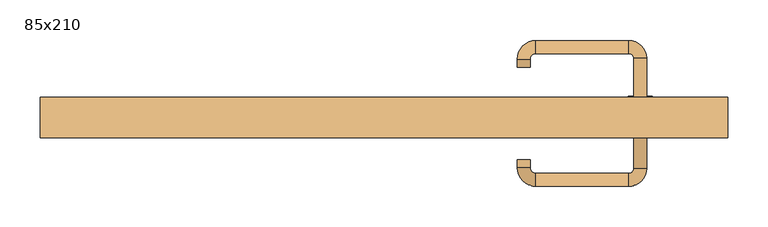
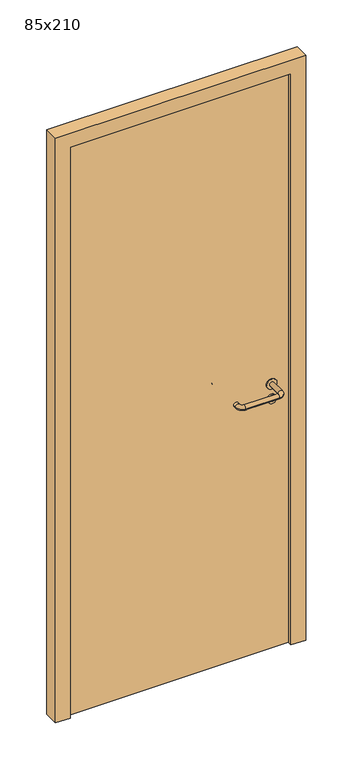
"""IFC4 building model written with IfcOpenShell, lengths in millimetres: door geometry, 85x210."""

import ifcopenshell
import ifcopenshell.guid

model = None  # the IFC model being written
_history = None  # IfcOwnerHistory: only IFC2X3 demands one
_inside = {}  # id of a spatial element -> (the spatial element, [elements in it])
_under = {}  # id of a project, library or spatial element -> (it, [spatial elements below it])
_declared = {}  # id of a project -> (the project, [libraries it declares])
_typed = {}  # id of a type object -> (the type object, [elements of that type])
_made_of = {}  # id of a material, layer set ... -> (it, [elements and type objects made of it])


def new_model(schema):
    """Start an empty IFC model of exactly this schema.

    Asked for "IFC4X3", IfcOpenShell would pick the latest addendum, in which some entities
    have other attributes; the version numbers below select the first issue.
    IFC2X3 requires an IfcOwnerHistory on every rooted entity: one is made here for all.
    """
    global model, _history
    if schema == "IFC4X3":
        model = ifcopenshell.file(schema_version=(4, 3, 0, 0))
    else:
        model = ifcopenshell.file(schema=schema)
    _inside.clear()
    _under.clear()
    _declared.clear()
    _typed.clear()
    _made_of.clear()
    _history = None
    if model.schema == "IFC2X3":
        org = make("IfcOrganization", Name="unknown")
        user = make(
            "IfcPersonAndOrganization",
            ThePerson=make("IfcPerson", FamilyName="unknown"),
            TheOrganization=org,
        )
        app = make(
            "IfcApplication",
            ApplicationDeveloper=org,
            Version="unknown",
            ApplicationFullName="unknown",
            ApplicationIdentifier="unknown",
        )
        _history = make(
            "IfcOwnerHistory",
            OwningUser=user,
            OwningApplication=app,
            ChangeAction="ADDED",
            CreationDate=0,
        )
    return model


def make(cls, **values):
    """One entity of the class cls with the attributes given. An attribute that is None is left unset."""
    return model.create_entity(
        cls, **{name: value for name, value in values.items() if value is not None}
    )


def rooted(cls, **values):
    """An entity with a GlobalId (a new one), such as an element, a storey or a relation."""
    return make(cls, GlobalId=ifcopenshell.guid.new(), OwnerHistory=_history, **values)


def si_unit(unit_type, name, prefix=None):
    """IfcSIUnit, for example si_unit("LENGTHUNIT", "METRE", prefix="MILLI")."""
    return make("IfcSIUnit", UnitType=unit_type, Prefix=prefix, Name=name)


def assignment(units):
    """IfcUnitAssignment: the units of a project."""
    return None if units is None else make("IfcUnitAssignment", Units=units)


def point(xyz):
    """IfcCartesianPoint."""
    return None if xyz is None else make("IfcCartesianPoint", Coordinates=xyz)


def direction(xyz):
    """IfcDirection."""
    return None if xyz is None else make("IfcDirection", DirectionRatios=xyz)


def frame(location, z_axis=None, x_axis=None):
    """IfcAxis2Placement3D, a coordinate frame: its origin and axes. An axis left out is left unset."""
    return make(
        "IfcAxis2Placement3D",
        Location=point(location),
        Axis=direction(z_axis),
        RefDirection=direction(x_axis),
    )


def frame_2d(location, x_axis=None):
    """IfcAxis2Placement2D, a coordinate frame in the plane: its origin and x axis."""
    return make(
        "IfcAxis2Placement2D", Location=point(location), RefDirection=direction(x_axis)
    )


def origin():
    """The frame at (0, 0, 0) with its axes left unset."""
    return frame((0.0, 0.0, 0.0))


def origin_with_axes():
    """The frame at (0, 0, 0) with the z axis (0, 0, 1) and the x axis (1, 0, 0) written out."""
    return frame((0.0, 0.0, 0.0), z_axis=(0.0, 0.0, 1.0), x_axis=(1.0, 0.0, 0.0))


def place(relative_to, where):
    """IfcLocalPlacement: puts the frame where relative to a parent placement (None: the world)."""
    return make(
        "IfcLocalPlacement", PlacementRelTo=relative_to, RelativePlacement=where
    )


def context(
    kind, dimensions, precision=None, world=None, true_north=None, identifier=None
):
    """IfcGeometricRepresentationContext, for example the 3D "Model" context."""
    return make(
        "IfcGeometricRepresentationContext",
        ContextIdentifier=identifier,
        ContextType=kind,
        CoordinateSpaceDimension=dimensions,
        Precision=precision,
        WorldCoordinateSystem=world,
        TrueNorth=true_north,
    )


def project(units=None, contexts=None):
    """IfcProject with its units and contexts."""
    return rooted(
        "IfcProject",
        Name="project",
        RepresentationContexts=contexts,
        UnitsInContext=assignment(units),
    )


def spatial(cls, under=None, at=None, **own):
    """A site, building, storey or space (cls), placed at a placement, below another one or the project."""
    s = rooted(cls, ObjectPlacement=at, **own)
    if under is not None:
        _under.setdefault(under.id(), (under, []))[1].append(s)
    return s


def polyline(points):
    """IfcPolyline through the points."""
    return make("IfcPolyline", Points=[point(p) for p in points])


def circle_curve(where, radius):
    """IfcCircle in the frame where."""
    return make("IfcCircle", Position=where, Radius=radius)


def ellipse_curve(where, semi_axis1, semi_axis2):
    """IfcEllipse in the frame where."""
    return make(
        "IfcEllipse", Position=where, SemiAxis1=semi_axis1, SemiAxis2=semi_axis2
    )


def trimmed(basis, trim1, trim2, sense, master):
    """IfcTrimmedCurve: the piece of a basis curve between two trims."""
    return make(
        "IfcTrimmedCurve",
        BasisCurve=basis,
        Trim1=trim1,
        Trim2=trim2,
        SenseAgreement=sense,
        MasterRepresentation=master,
    )


def segment(curve, same_sense, transition):
    """IfcCompositeCurveSegment."""
    return make(
        "IfcCompositeCurveSegment",
        Transition=transition,
        SameSense=same_sense,
        ParentCurve=curve,
    )


def composite_curve(segments, self_intersect=None):
    """IfcCompositeCurve: segments joined end to end."""
    return make("IfcCompositeCurve", Segments=segments, SelfIntersect=self_intersect)


def outline(outer, holes=None, kind="AREA"):
    """IfcArbitraryClosedProfileDef: a profile drawn as a closed curve; with holes, ...WithVoids."""
    if holes is None:
        return make("IfcArbitraryClosedProfileDef", ProfileType=kind, OuterCurve=outer)
    return make(
        "IfcArbitraryProfileDefWithVoids",
        ProfileType=kind,
        OuterCurve=outer,
        InnerCurves=holes,
    )


def extrude(swept, where, along, depth):
    """IfcExtrudedAreaSolid: the profile swept, set in the frame where, extruded along a direction by depth."""
    return make(
        "IfcExtrudedAreaSolid",
        SweptArea=swept,
        Position=where,
        ExtrudedDirection=direction(along),
        Depth=depth,
    )


def shape(context_of_items, identifier, shape_type, items):
    """IfcShapeRepresentation: the items that make up one representation, for example the "Body"."""
    return make(
        "IfcShapeRepresentation",
        ContextOfItems=context_of_items,
        RepresentationIdentifier=identifier,
        RepresentationType=shape_type,
        Items=items,
    )


def source(mapping_origin, context_of_items, identifier, shape_type, items):
    """IfcRepresentationMap: a shape defined once, which mapped items show again and again."""
    return make(
        "IfcRepresentationMap",
        MappingOrigin=mapping_origin,
        MappedRepresentation=shape(context_of_items, identifier, shape_type, items),
    )


def transform(
    local_origin,
    x_axis=None,
    y_axis=None,
    z_axis=None,
    scale=None,
    scale2=None,
    scale3=None,
    uniform=True,
):
    """IfcCartesianTransformationOperator3D, or its non-uniform kind. x_axis, y_axis, z_axis: its Axis1, 2, 3."""
    if uniform:
        return make(
            "IfcCartesianTransformationOperator3D",
            Axis1=direction(x_axis),
            Axis2=direction(y_axis),
            LocalOrigin=point(local_origin),
            Scale=scale,
            Axis3=direction(z_axis),
        )
    return make(
        "IfcCartesianTransformationOperator3DnonUniform",
        Axis1=direction(x_axis),
        Axis2=direction(y_axis),
        LocalOrigin=point(local_origin),
        Scale=scale,
        Axis3=direction(z_axis),
        Scale2=scale2,
        Scale3=scale3,
    )


def mapped(mapping_source, mapping_target):
    """IfcMappedItem: shows the shape of a source again, moved by a transform."""
    return make(
        "IfcMappedItem", MappingSource=mapping_source, MappingTarget=mapping_target
    )


def made_of(thing, what):
    """Note that an element or type object is made of a material, layer set ...; save() writes the relation."""
    if what is not None:
        _made_of.setdefault(what.id(), (what, []))[1].append(thing)
    return thing


def element(
    cls,
    number,
    at=None,
    inside=None,
    cuts=None,
    type_object=None,
    material=None,
    context=None,
    identifier="Body",
    shape_type=None,
    held_by="IfcProductDefinitionShape",
    body=None,
    shapes=None,
    **own,
):
    """One element of the class cls, such as IfcWall. Its Tag is "e" and its number.

    at: its placement. inside: the storey or other place that contains it. cuts: it is an
    opening in that element (IfcRelVoidsElement). A single representation is given by context,
    identifier, shape_type and body (its items); several are given by shapes. held_by: the class
    of the entity that holds the representations. save() writes the other relations.
    """
    e = rooted(cls, Tag="e%d" % number, ObjectPlacement=at, **own)
    if body is not None:
        shapes = [shape(context, identifier, shape_type, body)]
    if shapes is not None:
        e.Representation = make(held_by, Representations=shapes)
    if inside is not None:
        _inside.setdefault(inside.id(), (inside, []))[1].append(e)
    if cuts is not None:
        rooted(
            "IfcRelVoidsElement", RelatingBuildingElement=cuts, RelatedOpeningElement=e
        )
    if type_object is not None:
        _typed.setdefault(type_object.id(), (type_object, []))[1].append(e)
    return made_of(e, material)


def aggregate(whole, parts):
    """IfcRelAggregates: a whole, such as a stair, and the parts it consists of."""
    return rooted("IfcRelAggregates", RelatingObject=whole, RelatedObjects=parts)


def save(model, path):
    """Write the relations noted so far, then the file.

    IfcRelAggregates (storeys below a building ...), IfcRelContainedInSpatialStructure (elements
    in a storey), IfcRelDefinesByType, IfcRelAssociatesMaterial and IfcRelDeclares: one each for
    every whole, place, type object, material and project.
    """
    for whole, parts in _under.values():
        aggregate(whole, parts)
    for where, things in _inside.values():
        rooted(
            "IfcRelContainedInSpatialStructure",
            RelatedElements=things,
            RelatingStructure=where,
        )
    for kind, things in _typed.values():
        rooted("IfcRelDefinesByType", RelatedObjects=things, RelatingType=kind)
    for what, things in _made_of.values():
        rooted("IfcRelAssociatesMaterial", RelatedObjects=things, RelatingMaterial=what)
    for by, libraries in _declared.values():
        rooted("IfcRelDeclares", RelatingContext=by, RelatedDefinitions=libraries)
    model.write(path)


def plane_surface(at):
    """IfcPlane: the flat surface through the origin of the frame at, square to its z axis."""
    return make("IfcPlane", Position=at)


def cylinder_surface(at, radius):
    """IfcCylindricalSurface: all points at the distance radius from the z axis of the frame at."""
    return make("IfcCylindricalSurface", Position=at, Radius=radius)


def revolved_surface(curve, axis_point, axis_direction):
    """IfcSurfaceOfRevolution: the curve turned about the line through axis_point along axis_direction."""
    return make(
        "IfcSurfaceOfRevolution",
        SweptCurve=make("IfcArbitraryOpenProfileDef", ProfileType="CURVE", Curve=curve),
        AxisPosition=make("IfcAxis1Placement", Location=point(axis_point), Axis=direction(axis_direction)),
    )


def advanced_brep(points, edges, surfaces, faces):
    """IfcAdvancedBrep: a solid bounded by faces that lie on surfaces and meet in shared edges.

    An edge is (start, end): straight between two places in points (the first is 0);
    or (start, end, curve); or (start, end, curve, False) where it runs against its curve.
    A face is (place in surfaces, loops), or (place, loops, False) where it looks against
    its surface's normal. A loop lists edges by number (the first is 1), with a minus sign
    where the edge is run from its end to its start. The first loop is the outer one.
    """
    corners = [point(p) for p in points]
    vertices = [make("IfcVertexPoint", VertexGeometry=c) for c in corners]
    made = []
    for start, end, *more in edges:
        made.append(
            make(
                "IfcEdgeCurve",
                EdgeStart=vertices[start],
                EdgeEnd=vertices[end],
                EdgeGeometry=more[0] if more else make("IfcPolyline", Points=[corners[start], corners[end]]),
                SameSense=more[1] if len(more) > 1 else True,
            )
        )
    hull = []
    for where, loops, *sense in faces:
        bounds = []
        for j, loop in enumerate(loops):
            ring = [make("IfcOrientedEdge", EdgeElement=made[abs(k) - 1], Orientation=k > 0) for k in loop]
            bounds.append(
                make(
                    "IfcFaceOuterBound" if j == 0 else "IfcFaceBound",
                    Bound=make("IfcEdgeLoop", EdgeList=ring),
                    Orientation=True,
                )
            )
        hull.append(make("IfcAdvancedFace", Bounds=bounds, FaceSurface=surfaces[where], SameSense=sense[0] if sense else True))
    return make("IfcAdvancedBrep", Outer=make("IfcClosedShell", CfsFaces=hull))


def door_85x210_3c8409e7(model_context):
    return source(origin(), model_context, "Body", "SolidModel", [
        extrude(outline(composite_curve([segment(trimmed(circle_curve(frame_2d((897.3605726, 317.0)), 15.0), [point((897.3605726, 332.0))], [point((897.3605726, 302.0))], False, "CARTESIAN"), True, "CONTINUOUS"), segment(trimmed(circle_curve(frame_2d((897.3605726, 317.0)), 15.0), [point((897.3605726, 302.0))], [point((897.3605726, 332.0))], False, "CARTESIAN"), True, "CONTINUOUS")], self_intersect=False), holes=[composite_curve([segment(trimmed(circle_curve(frame_2d((892.5833211, 316.9398032)), 2.0), [point((892.5833211, 318.9398032))], [point((892.5833211, 314.9398032))], True, "CARTESIAN"), True, "CONTINUOUS"), segment(polyline([(892.5833211, 314.9398032), (902.5833211, 314.9398032)]), True, "CONTINUOUS"), segment(trimmed(circle_curve(frame_2d((902.5833211, 316.9398032)), 2.0), [point((902.5833211, 314.9398032))], [point((902.5833211, 318.9398032))], True, "CARTESIAN"), True, "CONTINUOUS"), segment(polyline([(902.5833211, 318.9398032), (892.5833211, 318.9398032)]), True, "CONTINUOUS")], self_intersect=False)]), frame((0.0, 18.65, 0.0), z_axis=(0.0, 1.0, 0.0), x_axis=(0.0, 0.0, 1.0)), (0.0, 0.0, 1.0), 6.35),
        extrude(outline(composite_curve([segment(trimmed(circle_curve(frame_2d((950.0, 317.0)), 17.526), [point((950.0, 334.526))], [point((950.0, 299.474))], False, "CARTESIAN"), True, "CONTINUOUS"), segment(trimmed(circle_curve(frame_2d((950.0, 317.0)), 17.526), [point((950.0, 299.474))], [point((950.0, 334.526))], False, "CARTESIAN"), True, "CONTINUOUS")], self_intersect=False)), frame((0.0, 21.825, 0.0), z_axis=(0.0, 1.0, 0.0), x_axis=(0.0, 0.0, 1.0)), (0.0, 0.0, 1.0), 3.175),
        advanced_brep(
        [(325.0, 25.0, 950.0), (309.0, 25.0, 950.0), (309.0, -28.0, 950.0), (325.0, -28.0, 950.0), (302.8578644, -34.1421356, 950.0), (302.8578644, -50.1421356, 950.0), (187.8578644, -34.1421356, 950.0), (187.8578644, -50.1421356, 950.0), (181.008622, -27.2928932, 950.0), (165.008622, -27.2928932, 950.0), (165.008622, -17.2928932, 950.0), (181.008622, -17.2928932, 950.0)],
        [
            (0, 1, circle_curve(frame((317.0, 25.0, 950.0), z_axis=(0.0, 1.0, 0.0), x_axis=(-1.0, 0.0, 0.0)), 8.0)),
            (1, 0, circle_curve(frame((317.0, 25.0, 950.0), z_axis=(0.0, 1.0, 0.0), x_axis=(-1.0, 0.0, 0.0)), 8.0)),
            (1, 2),
            (2, 3, circle_curve(frame((317.0, -28.0, 950.0), z_axis=(0.0, 1.0, 0.0), x_axis=(-1.0, 0.0, 0.0)), 8.0)),
            (3, 0),
            (3, 2, circle_curve(frame((317.0, -28.0, 950.0), z_axis=(0.0, 1.0, 0.0), x_axis=(-1.0, 0.0, 0.0)), 8.0)),
            (4, 5, circle_curve(frame((302.8578644, -42.1421356, 950.0), z_axis=(1.0, 0.0, 0.0), x_axis=(0.0, 1.0, 0.0)), 8.0)),
            (5, 3, circle_curve(frame((302.8578644, -28.0, 950.0), z_axis=(0.0, 0.0, 1.0), x_axis=(1.0, 0.0, 0.0)), 22.1421356)),
            (2, 4, circle_curve(frame((302.8578644, -28.0, 950.0), z_axis=(0.0, 0.0, -1.0), x_axis=(1.0, 0.0, 0.0)), 6.1421356)),
            (5, 4, circle_curve(frame((302.8578644, -42.1421356, 950.0), z_axis=(1.0, 0.0, 0.0), x_axis=(0.0, 1.0, 0.0)), 8.0)),
            (4, 6),
            (6, 7, circle_curve(frame((187.8578644, -42.1421356, 950.0), z_axis=(1.0, 0.0, 0.0), x_axis=(0.0, 1.0, 0.0)), 8.0)),
            (7, 5),
            (7, 6, circle_curve(frame((187.8578644, -42.1421356, 950.0), z_axis=(1.0, 0.0, 0.0), x_axis=(0.0, 1.0, 0.0)), 8.0)),
            (8, 9, circle_curve(frame((173.008622, -27.2928932, 950.0), z_axis=(0.0, -1.0, 0.0), x_axis=(1.0, 0.0, 0.0)), 8.0)),
            (9, 7, circle_curve(frame((187.8578644, -27.2928932, 950.0), z_axis=(0.0, 0.0, 1.0), x_axis=(0.0, -1.0, 0.0)), 22.8492424)),
            (6, 8, circle_curve(frame((187.8578644, -27.2928932, 950.0), z_axis=(0.0, 0.0, -1.0), x_axis=(0.0, -1.0, 0.0)), 6.8492424)),
            (9, 8, circle_curve(frame((173.008622, -27.2928932, 950.0), z_axis=(0.0, -1.0, 0.0), x_axis=(1.0, 0.0, 0.0)), 8.0)),
            (10, 11, circle_curve(frame((173.008622, -17.2928932, 950.0), z_axis=(0.0, 1.0, 0.0), x_axis=(1.0, 0.0, 0.0)), 8.0)),
            (11, 10, circle_curve(frame((173.008622, -17.2928932, 950.0), z_axis=(0.0, 1.0, 0.0), x_axis=(1.0, 0.0, 0.0)), 8.0)),
            (8, 11),
            (10, 9),
        ],
        [
            plane_surface(frame((317.0, 25.0, 170.0), z_axis=(0.0, 1.0, 0.0), x_axis=(0.0, 0.0, 1.0))),
            cylinder_surface(frame((317.0, 25.0, 950.0), z_axis=(0.0, 1.0, 0.0), x_axis=(-1.0, 0.0, 0.0)), 8.0),
            revolved_surface(trimmed(ellipse_curve(frame((317.0, -28.0, 950.0), z_axis=(0.0, -1.0, 0.0), x_axis=(-1.0, 0.0, 0.0)), 8.0, 8.0), [point((325.0, -28.0, 950.0))], [point((309.0, -28.0, 950.0))], True, "CARTESIAN"), (302.8578644, -28.0, 170.0), (0.0, 0.0, 1.0)),
            revolved_surface(trimmed(ellipse_curve(frame((317.0, -28.0, 950.0), z_axis=(0.0, -1.0, 0.0), x_axis=(-1.0, 0.0, 0.0)), 8.0, 8.0), [point((309.0, -28.0, 950.0))], [point((325.0, -28.0, 950.0))], True, "CARTESIAN"), (302.8578644, -28.0, 170.0), (0.0, 0.0, 1.0)),
            cylinder_surface(frame((302.8578644, -42.1421356, 950.0), z_axis=(1.0, 0.0, 0.0), x_axis=(0.0, 1.0, 0.0)), 8.0),
            revolved_surface(trimmed(ellipse_curve(frame((187.8578644, -42.1421356, 950.0), z_axis=(-1.0, 0.0, 0.0), x_axis=(0.0, 1.0, 0.0)), 8.0, 8.0), [point((187.8578644, -50.1421356, 950.0))], [point((187.8578644, -34.1421356, 950.0))], True, "CARTESIAN"), (187.8578644, -27.2928932, 170.0), (0.0, 0.0, 1.0)),
            revolved_surface(trimmed(ellipse_curve(frame((187.8578644, -42.1421356, 950.0), z_axis=(-1.0, 0.0, 0.0), x_axis=(0.0, 1.0, 0.0)), 8.0, 8.0), [point((187.8578644, -34.1421356, 950.0))], [point((187.8578644, -50.1421356, 950.0))], True, "CARTESIAN"), (187.8578644, -27.2928932, 170.0), (0.0, 0.0, 1.0)),
            plane_surface(frame((173.008622, -17.2928932, 170.0), z_axis=(0.0, 1.0, 0.0), x_axis=(0.0, 0.0, 1.0))),
            cylinder_surface(frame((173.008622, -27.2928932, 950.0), z_axis=(0.0, -1.0, 0.0), x_axis=(1.0, 0.0, 0.0)), 8.0),
        ],
        [
            (0, [[1, 2]]),
            (1, [[3, 4, 5, -2]]),
            (1, [[-5, 6, -3, -1]]),
            (2, [[7, 8, -4, 9]]),
            (3, [[10, -9, -6, -8]]),
            (4, [[11, 12, 13, -7]]),
            (4, [[-13, 14, -11, -10]]),
            (5, [[15, 16, -12, 17]]),
            (6, [[18, -17, -14, -16]]),
            (7, [[19, 20]]),
            (8, [[21, -19, 22, -15]]),
            (8, [[-22, -20, -21, -18]]),
        ],
    ),
        extrude(outline(composite_curve([segment(trimmed(circle_curve(frame_2d((0.0, -15.0)), 15.0), [point((0.0, -30.0))], [point((0.0, 0.0))], False, "CARTESIAN"), True, "CONTINUOUS"), segment(trimmed(circle_curve(frame_2d((0.0, -15.0)), 15.0), [point((0.0, 0.0))], [point((0.0, -30.0))], False, "CARTESIAN"), True, "CONTINUOUS")], self_intersect=False), holes=[composite_curve([segment(trimmed(circle_curve(frame_2d((4.7772515, -14.9398032)), 2.0), [point((4.7772515, -16.9398032))], [point((4.7772515, -12.9398032))], True, "CARTESIAN"), True, "CONTINUOUS"), segment(polyline([(4.7772515, -12.9398032), (-5.2227485, -12.9398032)]), True, "CONTINUOUS"), segment(trimmed(circle_curve(frame_2d((-5.2227485, -14.9398032)), 2.0), [point((-5.2227485, -12.9398032))], [point((-5.2227485, -16.9398032))], True, "CARTESIAN"), True, "CONTINUOUS"), segment(polyline([(-5.2227485, -16.9398032), (4.7772515, -16.9398032)]), True, "CONTINUOUS")], self_intersect=False)]), frame((302.0, 55.0, 897.3605726), z_axis=(1.8870575173328306e-12, 1.0, 0.0), x_axis=(0.0, 0.0, -1.0)), (0.0, 0.0, 1.0), 6.35),
        extrude(outline(composite_curve([segment(trimmed(circle_curve(frame_2d((0.0, -17.526)), 17.526), [point((0.0, -35.052))], [point((0.0, 0.0))], False, "CARTESIAN"), True, "CONTINUOUS"), segment(trimmed(circle_curve(frame_2d((0.0, -17.526)), 17.526), [point((0.0, 0.0))], [point((0.0, -35.052))], False, "CARTESIAN"), True, "CONTINUOUS")], self_intersect=False)), frame((299.474, 55.0, 950.0), z_axis=(1.8870575173328306e-12, 1.0, 0.0), x_axis=(0.0, 0.0, -1.0)), (0.0, 0.0, 1.0), 3.175),
        advanced_brep(
        [(325.0, 55.0, 950.0), (309.0, 55.0, 950.0), (325.0, 108.0, 950.0), (309.0, 108.0, 950.0), (302.8578644, 114.1421356, 950.0), (302.8578644, 130.1421356, 950.0), (187.8578644, 130.1421356, 950.0), (187.8578644, 114.1421356, 950.0), (181.008622, 107.2928932, 950.0), (165.008622, 107.2928932, 950.0), (165.008622, 97.2928932, 950.0), (181.008622, 97.2928932, 950.0)],
        [
            (0, 1, circle_curve(frame((317.0, 55.0, 950.0), z_axis=(-1.888672253512351e-12, -1.0, 0.0), x_axis=(-1.0, 1.888672253512351e-12, 0.0)), 8.0)),
            (1, 0, circle_curve(frame((317.0, 55.0, 950.0), z_axis=(-1.888672253512351e-12, -1.0, 0.0), x_axis=(-1.0, 1.888672253512351e-12, 0.0)), 8.0)),
            (0, 2),
            (2, 3, circle_curve(frame((317.0, 108.0, 950.0), z_axis=(-1.888672253512351e-12, -1.0, 0.0), x_axis=(-1.0, 1.888672253512351e-12, 0.0)), 8.0)),
            (3, 1),
            (3, 2, circle_curve(frame((317.0, 108.0, 950.0), z_axis=(-1.888672253512351e-12, -1.0, 0.0), x_axis=(-1.0, 1.888672253512351e-12, 0.0)), 8.0)),
            (4, 3, circle_curve(frame((302.8578644, 108.0, 950.0), z_axis=(0.0, 0.0, -1.0), x_axis=(1.0, -1.880717803715015e-12, 0.0)), 6.1421356)),
            (2, 5, circle_curve(frame((302.8578644, 108.0, 950.0), z_axis=(0.0, 0.0, 1.0), x_axis=(1.0, -1.880717803715015e-12, 0.0)), 22.1421356)),
            (5, 4, circle_curve(frame((302.8578644, 122.1421356, 950.0), z_axis=(1.0, -1.913702061528922e-12, 0.0), x_axis=(-1.913702061528922e-12, -1.0, 0.0)), 8.0)),
            (4, 5, circle_curve(frame((302.8578644, 122.1421356, 950.0), z_axis=(1.0, -1.913702061528922e-12, 0.0), x_axis=(-1.913702061528922e-12, -1.0, 0.0)), 8.0)),
            (5, 6),
            (6, 7, circle_curve(frame((187.8578644, 122.1421356, 950.0), z_axis=(1.0, -1.913719828541269e-12, 0.0), x_axis=(-1.913719828541269e-12, -1.0, 0.0)), 8.0)),
            (7, 4),
            (7, 6, circle_curve(frame((187.8578644, 122.1421356, 950.0), z_axis=(1.0, -1.913719828541269e-12, 0.0), x_axis=(-1.913719828541269e-12, -1.0, 0.0)), 8.0)),
            (8, 7, circle_curve(frame((187.8578644, 107.2928932, 950.0), z_axis=(0.0, 0.0, -1.0), x_axis=(1.9120873253494017e-12, 1.0, 0.0)), 6.8492424)),
            (6, 9, circle_curve(frame((187.8578644, 107.2928932, 950.0), z_axis=(0.0, 0.0, 1.0), x_axis=(1.9120873253494017e-12, 1.0, 0.0)), 22.8492424)),
            (9, 8, circle_curve(frame((173.008622, 107.2928932, 950.0), z_axis=(1.890670654956676e-12, 1.0, 0.0), x_axis=(1.0, -1.890670654956676e-12, 0.0)), 8.0)),
            (8, 9, circle_curve(frame((173.008622, 107.2928932, 950.0), z_axis=(1.890226565746826e-12, 1.0, 0.0), x_axis=(1.0, -1.890226565746826e-12, 0.0)), 8.0)),
            (10, 11, circle_curve(frame((173.008622, 97.2928932, 950.0), z_axis=(-1.8903642334018795e-12, -1.0, 0.0), x_axis=(1.0, -1.8903642334018795e-12, 0.0)), 8.0)),
            (11, 10, circle_curve(frame((173.008622, 97.2928932, 950.0), z_axis=(-1.8903642334018795e-12, -1.0, 0.0), x_axis=(1.0, -1.8903642334018795e-12, 0.0)), 8.0)),
            (9, 10),
            (11, 8),
        ],
        [
            plane_surface(frame((317.0, 55.0, 170.0), z_axis=(-1.8870575173328306e-12, -1.0, 0.0), x_axis=(0.0, 0.0, 1.0))),
            cylinder_surface(frame((317.0, 55.0, 950.0), z_axis=(-1.888672253512351e-12, -1.0, 0.0), x_axis=(-1.0, 1.888672253512351e-12, 0.0)), 8.0),
            revolved_surface(trimmed(ellipse_curve(frame((317.0, 108.0, 950.0), z_axis=(-1.8823325398945356e-12, -1.0, 0.0), x_axis=(-1.0, 1.8823325398945356e-12, 0.0)), 8.0, 8.0), [point((325.0, 108.0, 950.0))], [point((309.0, 108.0, 950.0))], True, "CARTESIAN"), (302.8578644, 108.0, 170.0), (0.0, 0.0, 1.0)),
            revolved_surface(trimmed(ellipse_curve(frame((317.0, 108.0, 950.0), z_axis=(-1.8823325398945356e-12, -1.0, 0.0), x_axis=(-1.0, 1.8823325398945356e-12, 0.0)), 8.0, 8.0), [point((309.0, 108.0, 950.0))], [point((325.0, 108.0, 950.0))], True, "CARTESIAN"), (302.8578644, 108.0, 170.0), (0.0, 0.0, 1.0)),
            cylinder_surface(frame((302.8578644, 122.1421356, 950.0), z_axis=(1.0, -1.913719828541269e-12, 0.0), x_axis=(-1.913719828541269e-12, -1.0, 0.0)), 8.0),
            revolved_surface(trimmed(ellipse_curve(frame((187.8578644, 122.1421356, 950.0), z_axis=(1.0, -1.913702061528922e-12, 0.0), x_axis=(-1.913702061528922e-12, -1.0, 0.0)), 8.0, 8.0), [point((187.8578644, 130.1421356, 950.0))], [point((187.8578644, 114.1421356, 950.0))], True, "CARTESIAN"), (187.8578644, 107.2928932, 170.0), (0.0, 0.0, 1.0)),
            revolved_surface(trimmed(ellipse_curve(frame((187.8578644, 122.1421356, 950.0), z_axis=(1.0, -1.913702061528922e-12, 0.0), x_axis=(-1.913702061528922e-12, -1.0, 0.0)), 8.0, 8.0), [point((187.8578644, 114.1421356, 950.0))], [point((187.8578644, 130.1421356, 950.0))], True, "CARTESIAN"), (187.8578644, 107.2928932, 170.0), (0.0, 0.0, 1.0)),
            plane_surface(frame((173.008622, 97.2928932, 170.0), z_axis=(-1.8887494972223595e-12, -1.0, 0.0), x_axis=(0.0, 0.0, 1.0))),
            cylinder_surface(frame((173.008622, 107.2928932, 950.0), z_axis=(1.8903642334018795e-12, 1.0, 0.0), x_axis=(1.0, -1.8903642334018795e-12, 0.0)), 8.0),
        ],
        [
            (0, [[1, 2]]),
            (1, [[-1, 3, 4, 5]]),
            (1, [[-2, -5, 6, -3]]),
            (2, [[7, -4, 8, 9]]),
            (3, [[-8, -6, -7, 10]]),
            (4, [[-9, 11, 12, 13]]),
            (4, [[-10, -13, 14, -11]]),
            (5, [[15, -12, 16, 17]]),
            (6, [[-16, -14, -15, 18]]),
            (7, [[19, 20]]),
            (8, [[-17, 21, -20, 22]]),
            (8, [[-18, -22, -19, -21]]),
        ],
    ),
        extrude(outline(polyline([(2050.0, 375.0), (0.0, 375.0), (0.0, 425.0), (2100.0, 425.0), (2100.0, -425.0), (0.0, -425.0), (0.0, -375.0), (2050.0, -375.0), (2050.0, 375.0)])), frame((0.0, 10.0, 0.0), z_axis=(0.0, 1.0, 0.0), x_axis=(0.0, 0.0, 1.0)), (0.0, 0.0, 1.0), 50.0),
        extrude(outline(polyline([(-375.0, 55.0), (375.0, 55.0), (375.0, 25.0), (-375.0, 25.0), (-375.0, 55.0)])), origin_with_axes(), (0.0, 0.0, 1.0), 2050.0),
    ])


if __name__ == "__main__":
    model = new_model("IFC4")
    model_context = context("Model", 3, world=origin())
    ifc_project = project(units=[si_unit("LENGTHUNIT", "METRE", prefix="MILLI")], contexts=[model_context])
    site = spatial("IfcSite", under=ifc_project)
    building = spatial("IfcBuilding", under=site)
    placement = place(None, origin())
    door_85x210_shape = door_85x210_3c8409e7(model_context)
    element("IfcDoor", 1, ObjectType="85x210", at=placement, inside=building, context=model_context, shape_type="MappedRepresentation", body=[
        mapped(door_85x210_shape, transform((0.0, 0.0, 0.0), x_axis=(1.0, 0.0, 0.0), y_axis=(0.0, 1.0, 0.0), z_axis=(0.0, 0.0, 1.0))),
    ])
    save(model, "model.ifc")
